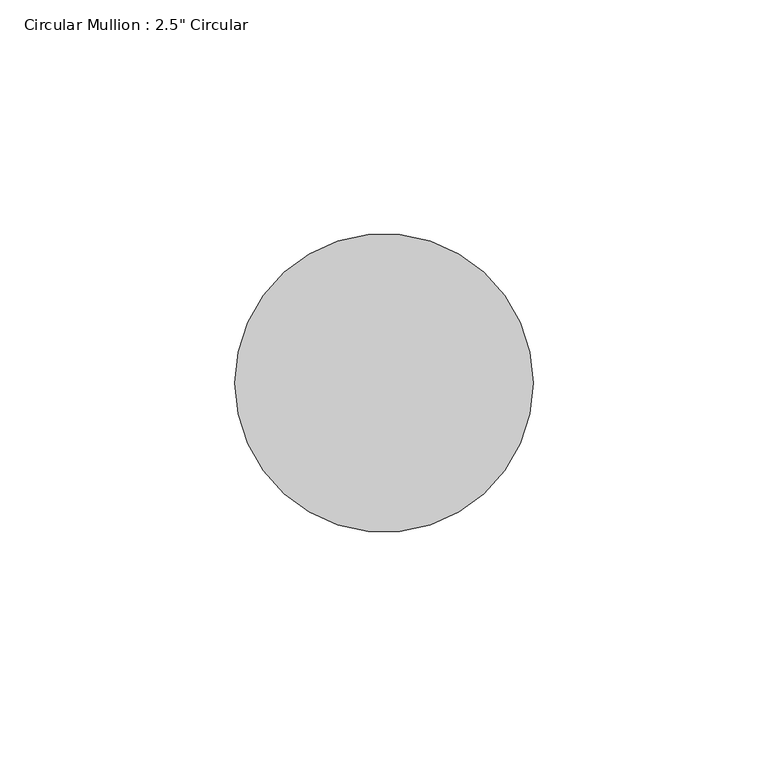
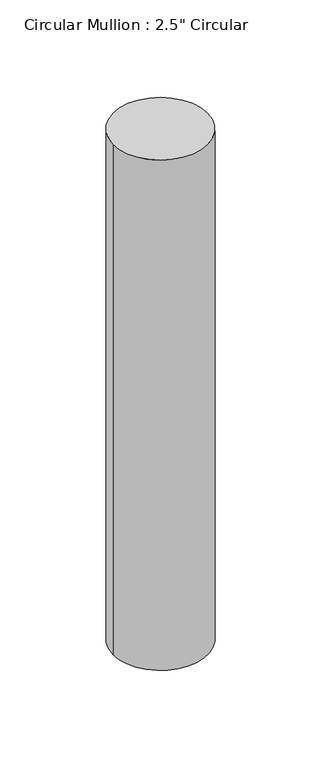
"""IFC4 building model written with IfcOpenShell, lengths in millimetres: member geometry."""

from ifc_helpers import new_model, si_unit, point, frame, origin, origin_2d, place, context, project, spatial, circle_curve, trimmed, segment, composite_curve, outline, extrude, source, transform, mapped, element, save


def member_9278c4ab(model_context):
    return source(origin(), model_context, "Body", "SweptSolid", [
        extrude(outline(composite_curve([segment(trimmed(circle_curve(origin_2d(), 31.75), [point((31.75, 0.0))], [point((-31.75, 0.0))], False, "CARTESIAN"), True, "CONTINUOUS"), segment(trimmed(circle_curve(origin_2d(), 31.75), [point((-31.75, 0.0))], [point((31.75, 0.0))], False, "CARTESIAN"), True, "CONTINUOUS")], self_intersect=False)), frame((0.0, 0.0, -361.95), z_axis=(0.0, 0.0, 1.0), x_axis=(1.0, 0.0, 0.0)), (0.0, 0.0, 1.0), 361.95),
    ])


if __name__ == "__main__":
    model = new_model("IFC4")
    model_context = context("Model", 3, world=origin())
    ifc_project = project(units=[si_unit("LENGTHUNIT", "METRE", prefix="MILLI")], contexts=[model_context])
    site = spatial("IfcSite", under=ifc_project)
    building = spatial("IfcBuilding", under=site)
    placement = place(None, origin())
    member_shape = member_9278c4ab(model_context)
    element("IfcMember", 1, ObjectType="Circular Mullion : 2.5\" Circular", at=placement, inside=building, context=model_context, shape_type="MappedRepresentation", body=[
        mapped(member_shape, transform((0.0, 0.0, 0.0), x_axis=(1.0, 0.0, 0.0), y_axis=(0.0, 1.0, 0.0), z_axis=(0.0, 0.0, 1.0))),
    ])
    save(model, "model.ifc")
